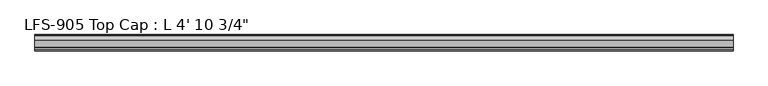
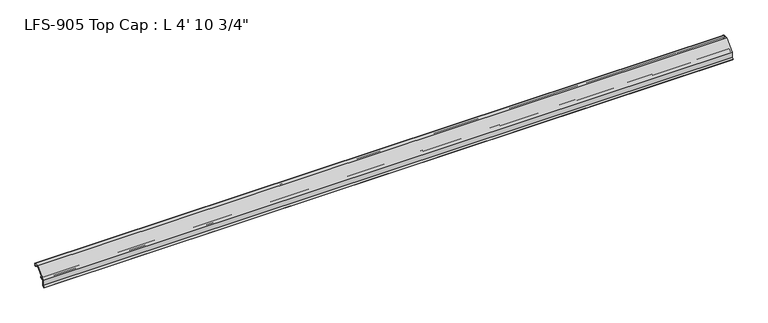
"""IFC4 building model written with IfcOpenShell, lengths in millimetres: proxy geometry."""

from ifc_helpers import new_model, si_unit, frame, origin, place, context, project, spatial, polyline, circle_curve, source, transform, mapped, element, save
from ifc_brep_helpers import plane_surface, cylinder_surface, revolved_surface, advanced_brep


def proxy_6e24feb7(model_context):
    return source(origin(), model_context, "Body", "AdvancedBrep", [
        advanced_brep(
        [(1492.25, -11.9842063, -4.7908498), (1492.25, -11.285332, -4.0919755), (1492.25, -10.4181218, -4.4511858), (1492.25, -10.0845373, -5.4848681), (1492.25, -8.8306218, -4.8356596), (1492.25, -8.8306218, -2.8545037), (1492.25, -6.319747, -2.2238726), (1492.25, -6.162328, -3.1153995), (1492.25, -4.5467242, -3.078236), (1492.25, -6.0988312, -0.2880269), (1492.25, -6.2733116, 0.9200448), (1492.25, 6.6291755, 13.822532), (1492.25, 7.7517076, 14.2875), (1492.25, 12.2396814, 14.2875), (1492.25, 12.7331269, 13.6587708), (1492.25, 15.9234901, 10.1995675), (1492.25, 16.9994388, 10.5588377), (1492.25, 16.7818575, 12.1019757), (1492.25, 15.8731607, 11.8349932), (1492.25, 15.5626213, 14.2875), (1492.25, 16.7406298, 14.2875), (1492.25, 16.7406298, 15.875), (1492.25, 15.7631892, 15.875), (1492.25, 6.4365795, 15.875), (1492.25, -14.0366743, -4.5982538), (1492.25, -14.0366743, -15.7272521), (1492.25, -17.4717033, -19.1622811), (1492.25, -16.3491713, -20.2848131), (1492.25, -12.4491743, -16.3848161), (1492.25, -12.4491743, -5.9133818), (0.0, -11.9842063, -4.7908498), (0.0, -12.4491743, -5.9133818), (0.0, -12.4491743, -16.3848161), (0.0, -16.3491713, -20.2848131), (0.0, -17.4717033, -19.1622811), (0.0, -14.0366743, -15.7272521), (0.0, -14.0366743, -4.5982538), (0.0, 6.4365795, 15.875), (0.0, 15.7631892, 15.875), (0.0, 16.7406298, 15.875), (0.0, 16.7406298, 14.2875), (0.0, 15.5626213, 14.2875), (0.0, 15.8760106, 11.8365279), (0.0, 16.7818575, 12.1019757), (0.0, 16.9994388, 10.5588377), (0.0, 15.9234901, 10.1995675), (0.0, 12.7331269, 13.6587708), (0.0, 12.2396814, 14.2875), (0.0, 7.7517076, 14.2875), (0.0, 6.6291755, 13.822532), (0.0, -6.2733116, 0.9200448), (0.0, -6.0988312, -0.2880269), (0.0, -4.5467242, -3.078236), (0.0, -6.162328, -3.1153995), (0.0, -6.319747, -2.2238726), (0.0, -8.8306218, -2.8545037), (0.0, -8.8306218, -4.8356596), (0.0, -10.0845373, -5.4848681), (0.0, -10.4181218, -4.4511858), (0.0, -11.285332, -4.0919755)],
        [
            (0, 1),
            (1, 2, circle_curve(frame((1492.25, -10.9261218, -4.4511858), z_axis=(-1.0, 0.0, 0.0), x_axis=(0.0, -1.0, 0.0)), 0.508)),
            (2, 3, circle_curve(frame((1492.25, -9.2294466, -4.6382503), z_axis=(1.0, 0.0, 0.0), x_axis=(0.0, -1.0, 0.0)), 1.2033045)),
            (3, 4, circle_curve(frame((1492.25, -9.6256418, -4.8356596), z_axis=(1.0, 0.0, 0.0), x_axis=(0.0, -1.0, 0.0)), 0.79502)),
            (4, 5),
            (5, 6, circle_curve(frame((1492.25, -7.4959898, -2.8545037), z_axis=(-1.0, 0.0, 0.0), x_axis=(0.0, -1.0, 0.0)), 1.334632)),
            (6, 7, circle_curve(frame((1492.25, -8.5533469, -3.077926), z_axis=(-1.0, 0.0, 0.0), x_axis=(0.0, -1.0, 0.0)), 2.3913126)),
            (7, 8, circle_curve(frame((1492.25, -5.3538072, -3.1280712), z_axis=(1.0, 0.0, 0.0), x_axis=(0.0, -1.0, 0.0)), 0.8086201)),
            (8, 9, circle_curve(frame((1492.25, -7.5911223, -2.9449413), z_axis=(1.0, 0.0, 0.0), x_axis=(0.0, -1.0, 0.0)), 3.0473147)),
            (9, 10, circle_curve(frame((1492.25, -5.7344963, 0.3812295), z_axis=(-1.0, 0.0, 0.0), x_axis=(0.0, -1.0, 0.0)), 0.762)),
            (10, 11),
            (11, 12, circle_curve(frame((1492.25, 7.7517076, 12.7), z_axis=(-1.0, 0.0, 0.0), x_axis=(0.0, -1.0, 0.0)), 1.5875)),
            (12, 13),
            (13, 14, circle_curve(frame((1492.25, 12.2396814, 13.7795), z_axis=(-1.0, 0.0, 0.0), x_axis=(0.0, -1.0, 0.0)), 0.508)),
            (14, 15, circle_curve(frame((1492.25, 15.4040561, 12.9213125), z_axis=(1.0, 0.0, 0.0), x_axis=(0.0, -1.0, 0.0)), 2.7708676)),
            (15, 16, circle_curve(frame((1492.25, 15.1258233, 14.3792045), z_axis=(1.0, 0.0, 0.0), x_axis=(0.0, -1.0, 0.0)), 4.255072)),
            (16, 17, circle_curve(frame((1492.25, 16.7408521, 11.3092856), z_axis=(1.0, 0.0, 0.0), x_axis=(0.0, -1.0, 0.0)), 0.79375)),
            (17, 18, circle_curve(frame((1492.25, 16.957198, 9.8252866), z_axis=(1.0, 0.0, 0.0), x_axis=(0.0, -1.0, 0.0)), 2.2834311)),
            (18, 19, circle_curve(frame((1492.25, 15.4821011, 13.0316829), z_axis=(-1.0, 0.0, 0.0), x_axis=(0.0, -1.0, 0.0)), 1.2583959)),
            (19, 20),
            (20, 21, circle_curve(frame((1492.25, 16.7406298, 15.08125), z_axis=(1.0, 0.0, 0.0), x_axis=(0.0, -1.0, 0.0)), 0.79375)),
            (21, 22),
            (22, 23),
            (23, 24),
            (24, 25),
            (25, 26),
            (26, 27),
            (27, 28),
            (28, 29),
            (29, 0, circle_curve(frame((1492.25, -10.8616743, -5.9133818), z_axis=(-1.0, 0.0, 0.0), x_axis=(0.0, -1.0, 0.0)), 1.5875)),
            (30, 31, circle_curve(frame((0.0, -10.8616743, -5.9133818), z_axis=(1.0, 0.0, 0.0), x_axis=(0.0, -1.0, 0.0)), 1.5875)),
            (31, 32),
            (32, 33),
            (33, 34),
            (34, 35),
            (35, 36),
            (36, 37),
            (37, 38),
            (38, 39),
            (39, 40, circle_curve(frame((0.0, 16.7406298, 15.08125), z_axis=(-1.0, 0.0, 0.0), x_axis=(0.0, -1.0, 0.0)), 0.79375)),
            (40, 41),
            (41, 42, circle_curve(frame((0.0, 15.4821011, 13.0316829), z_axis=(1.0, 0.0, 0.0), x_axis=(0.0, -1.0, 0.0)), 1.2583959)),
            (42, 43, circle_curve(frame((0.0, 16.957198, 9.8252866), z_axis=(-1.0, 0.0, 0.0), x_axis=(0.0, -1.0, 0.0)), 2.2834311)),
            (43, 44, circle_curve(frame((0.0, 16.7408521, 11.3092856), z_axis=(-1.0, 0.0, 0.0), x_axis=(0.0, -1.0, 0.0)), 0.79375)),
            (44, 45, circle_curve(frame((0.0, 15.1258233, 14.3792045), z_axis=(-1.0, 0.0, 0.0), x_axis=(0.0, -1.0, 0.0)), 4.255072)),
            (45, 46, circle_curve(frame((0.0, 15.4040561, 12.9213125), z_axis=(-1.0, 0.0, 0.0), x_axis=(0.0, -1.0, 0.0)), 2.7708676)),
            (46, 47, circle_curve(frame((0.0, 12.2396814, 13.7795), z_axis=(1.0, 0.0, 0.0), x_axis=(0.0, -1.0, 0.0)), 0.508)),
            (47, 48),
            (48, 49, circle_curve(frame((0.0, 7.7517076, 12.7), z_axis=(1.0, 0.0, 0.0), x_axis=(0.0, -1.0, 0.0)), 1.5875)),
            (49, 50),
            (50, 51, circle_curve(frame((0.0, -5.7344963, 0.3812295), z_axis=(1.0, 0.0, 0.0), x_axis=(0.0, -1.0, 0.0)), 0.762)),
            (51, 52, circle_curve(frame((0.0, -7.5911223, -2.9449413), z_axis=(-1.0, 0.0, 0.0), x_axis=(0.0, -1.0, 0.0)), 3.0473147)),
            (52, 53, circle_curve(frame((0.0, -5.3538072, -3.1280712), z_axis=(-1.0, 0.0, 0.0), x_axis=(0.0, -1.0, 0.0)), 0.8086201)),
            (53, 54, circle_curve(frame((0.0, -8.5533469, -3.077926), z_axis=(1.0, 0.0, 0.0), x_axis=(0.0, -1.0, 0.0)), 2.3913126)),
            (54, 55, circle_curve(frame((0.0, -7.4959898, -2.8545037), z_axis=(1.0, 0.0, 0.0), x_axis=(0.0, -1.0, 0.0)), 1.334632)),
            (55, 56),
            (56, 57, circle_curve(frame((0.0, -9.6256418, -4.8356596), z_axis=(-1.0, 0.0, 0.0), x_axis=(0.0, -1.0, 0.0)), 0.79502)),
            (57, 58, circle_curve(frame((0.0, -9.2294466, -4.6382503), z_axis=(-1.0, 0.0, 0.0), x_axis=(0.0, -1.0, 0.0)), 1.2033045)),
            (58, 59, circle_curve(frame((0.0, -10.9261218, -4.4511858), z_axis=(1.0, 0.0, 0.0), x_axis=(0.0, -1.0, 0.0)), 0.508)),
            (59, 30),
            (0, 30),
            (59, 1),
            (58, 2),
            (57, 3),
            (56, 4),
            (55, 5),
            (54, 6),
            (53, 7),
            (52, 8),
            (51, 9),
            (50, 10),
            (49, 11),
            (48, 12),
            (47, 13),
            (46, 14),
            (45, 15),
            (44, 16),
            (43, 17),
            (42, 18),
            (41, 19),
            (40, 20),
            (39, 21),
            (38, 22),
            (37, 23),
            (36, 24),
            (35, 25),
            (34, 26),
            (33, 27),
            (32, 28),
            (31, 29),
        ],
        [
            plane_surface(frame((1492.25, -11.9842063, -4.7908498), z_axis=(1.0000000000000002, 0.0, 0.0), x_axis=(0.0, 0.7071067811854889, 0.7071067811876063))),
            plane_surface(frame((0.0, -11.9842063, -4.7908498), z_axis=(-1.0000000000000002, 0.0, 0.0), x_axis=(0.0, -0.7071067811854889, -0.7071067811876063))),
            plane_surface(frame((1492.25, -11.9842063, -4.7908498), z_axis=(0.0, 0.7071067811876063, -0.7071067811854889), x_axis=(-1.0, 0.0, 0.0))),
            revolved_surface(polyline([(0.0, -11.4341218, -4.4511858), (1492.25, -11.4341218, -4.4511858)]), (0.0, -10.9261218, -4.4511858), (-1.0, 0.0, 0.0)),
            cylinder_surface(frame((0.0, -9.2294466, -4.6382503), z_axis=(1.0, 0.0, 0.0), x_axis=(0.0, -1.0, 0.0)), 1.2033045),
            cylinder_surface(frame((0.0, -9.6256418, -4.8356596), z_axis=(1.0, 0.0, 0.0), x_axis=(0.0, -1.0, 0.0)), 0.79502),
            plane_surface(frame((1492.25, -8.8306218, -4.8356596), z_axis=(0.0, 1.0, 0.0), x_axis=(-1.0, 0.0, 0.0))),
            revolved_surface(polyline([(0.0, -8.8306218, -2.8545037), (1492.25, -8.8306218, -2.8545037)]), (0.0, -7.4959898, -2.8545037), (-1.0, 0.0, 0.0)),
            revolved_surface(polyline([(0.0, -10.9446595, -3.077926), (1492.25, -10.9446595, -3.077926)]), (0.0, -8.5533469, -3.077926), (-1.0, 0.0, 0.0)),
            cylinder_surface(frame((0.0, -5.3538072, -3.1280712), z_axis=(1.0, 0.0, 0.0), x_axis=(0.0, -1.0, 0.0)), 0.8086201),
            cylinder_surface(frame((0.0, -7.5911223, -2.9449413), z_axis=(1.0, 0.0, 0.0), x_axis=(0.0, -1.0, 0.0)), 3.0473147),
            revolved_surface(polyline([(0.0, -6.4964963000000004, 0.3812295), (1492.25, -6.4964963000000004, 0.3812295)]), (0.0, -5.7344963, 0.3812295), (-1.0, 0.0, 0.0)),
            plane_surface(frame((1492.25, -6.2733116, 0.9200448), z_axis=(0.0, 0.7071067811865339, -0.7071067811865612), x_axis=(-1.0, 0.0, 0.0))),
            revolved_surface(polyline([(0.0, 6.164207599999999, 12.7), (1492.25, 6.164207599999999, 12.7)]), (0.0, 7.7517076, 12.7), (-1.0, 0.0, 0.0)),
            plane_surface(frame((1492.25, 7.7517076, 14.2875), z_axis=(0.0, 0.0, -1.0), x_axis=(-1.0, 0.0, 0.0))),
            revolved_surface(polyline([(0.0, 11.7316814, 13.7795), (1492.25, 11.7316814, 13.7795)]), (0.0, 12.2396814, 13.7795), (-1.0, 0.0, 0.0)),
            cylinder_surface(frame((0.0, 15.4040561, 12.9213125), z_axis=(1.0, 0.0, 0.0), x_axis=(0.0, -1.0, 0.0)), 2.7708676),
            cylinder_surface(frame((0.0, 15.1258233, 14.3792045), z_axis=(1.0, 0.0, 0.0), x_axis=(0.0, -1.0, 0.0)), 4.255072),
            cylinder_surface(frame((0.0, 16.7408521, 11.3092856), z_axis=(1.0, 0.0, 0.0), x_axis=(0.0, -1.0, 0.0)), 0.79375),
            cylinder_surface(frame((0.0, 16.957198, 9.8252866), z_axis=(1.0, 0.0, 0.0), x_axis=(0.0, -1.0, 0.0)), 2.2834311),
            revolved_surface(polyline([(0.0, 14.2237052, 13.0316829), (1492.25, 14.2237052, 13.0316829)]), (0.0, 15.4821011, 13.0316829), (-1.0, 0.0, 0.0)),
            plane_surface(frame((1492.25, 15.5626213, 14.2875), z_axis=(0.0, 0.0, -1.0), x_axis=(-1.0, 0.0, 0.0))),
            cylinder_surface(frame((0.0, 16.7406298, 15.08125), z_axis=(1.0, 0.0, 0.0), x_axis=(0.0, -1.0, 0.0)), 0.79375),
            plane_surface(frame((1492.25, 16.7406298, 15.875), z_axis=(0.0, 0.0, 1.0), x_axis=(-1.0, 0.0, 0.0))),
            plane_surface(frame((1492.25, 15.7631892, 15.875), z_axis=(0.0, 0.0, 1.0), x_axis=(-1.0, 0.0, 0.0))),
            plane_surface(frame((1492.25, 6.4365795, 15.875), z_axis=(0.0, -0.7071067811865581, 0.7071067811865369), x_axis=(-1.0, 0.0, 0.0))),
            plane_surface(frame((1492.25, -14.0366743, -4.5982538), z_axis=(0.0, -1.0, 0.0), x_axis=(-1.0, 0.0, 0.0))),
            plane_surface(frame((1492.25, -14.0366743, -15.7272521), z_axis=(0.0, -0.7071067811866965, 0.7071067811863986), x_axis=(-1.0, 0.0, 0.0))),
            plane_surface(frame((1492.25, -17.4717033, -19.1622811), z_axis=(0.0, -0.7071067811868007, -0.7071067811862944), x_axis=(-1.0, 0.0, 0.0))),
            plane_surface(frame((1492.25, -16.3491713, -20.2848131), z_axis=(0.0, 0.7071067811865882, -0.7071067811865068), x_axis=(-1.0, 0.0, 0.0))),
            plane_surface(frame((1492.25, -12.4491743, -16.3848161), z_axis=(0.0, 1.0, 0.0), x_axis=(-1.0, 0.0, 0.0))),
            revolved_surface(polyline([(0.0, -12.449174300000001, -5.9133818), (1492.25, -12.449174300000001, -5.9133818)]), (0.0, -10.8616743, -5.9133818), (-1.0, 0.0, 0.0)),
        ],
        [
            (0, [[1, 2, 3, 4, 5, 6, 7, 8, 9, 10, 11, 12, 13, 14, 15, 16, 17, 18, 19, 20, 21, 22, 23, 24, 25, 26, 27, 28, 29, 30]]),
            (1, [[31, 32, 33, 34, 35, 36, 37, 38, 39, 40, 41, 42, 43, 44, 45, 46, 47, 48, 49, 50, 51, 52, 53, 54, 55, 56, 57, 58, 59, 60]]),
            (2, [[-1, 61, -60, 62]]),
            (3, [[-2, -62, -59, 63]]),
            (4, [[-3, -63, -58, 64]]),
            (5, [[-4, -64, -57, 65]]),
            (6, [[-5, -65, -56, 66]]),
            (7, [[-6, -66, -55, 67]]),
            (8, [[-7, -67, -54, 68]]),
            (9, [[-8, -68, -53, 69]]),
            (10, [[-9, -69, -52, 70]]),
            (11, [[-10, -70, -51, 71]]),
            (12, [[-11, -71, -50, 72]]),
            (13, [[-12, -72, -49, 73]]),
            (14, [[-13, -73, -48, 74]]),
            (15, [[-14, -74, -47, 75]]),
            (16, [[-15, -75, -46, 76]]),
            (17, [[-16, -76, -45, 77]]),
            (18, [[-17, -77, -44, 78]]),
            (19, [[-18, -78, -43, 79]]),
            (20, [[-19, -79, -42, 80]]),
            (21, [[-20, -80, -41, 81]]),
            (22, [[-21, -81, -40, 82]]),
            (23, [[-22, -82, -39, 83]]),
            (24, [[-23, -83, -38, 84]]),
            (25, [[-24, -84, -37, 85]]),
            (26, [[-25, -85, -36, 86]]),
            (27, [[-26, -86, -35, 87]]),
            (28, [[-27, -87, -34, 88]]),
            (29, [[-28, -88, -33, 89]]),
            (30, [[-29, -89, -32, 90]]),
            (31, [[-30, -90, -31, -61]]),
        ],
    ),
    ])


if __name__ == "__main__":
    model = new_model("IFC4")
    model_context = context("Model", 3, world=origin())
    ifc_project = project(units=[si_unit("LENGTHUNIT", "METRE", prefix="MILLI")], contexts=[model_context])
    site = spatial("IfcSite", under=ifc_project)
    building = spatial("IfcBuilding", under=site)
    placement = place(None, origin())
    proxy_shape = proxy_6e24feb7(model_context)
    element("IfcBuildingElementProxy", 1, Name="LFS-905 Top Cap : L 4' 10 3/4\"", ObjectType="LFS-905 Top Cap : L 4' 10 3/4\"", at=placement, inside=building, context=model_context, shape_type="MappedRepresentation", body=[
        mapped(proxy_shape, transform((0.0, 0.0, 0.0), x_axis=(1.0, 0.0, 0.0), y_axis=(0.0, 1.0, 0.0), z_axis=(0.0, 0.0, 1.0))),
    ])
    save(model, "model.ifc")
